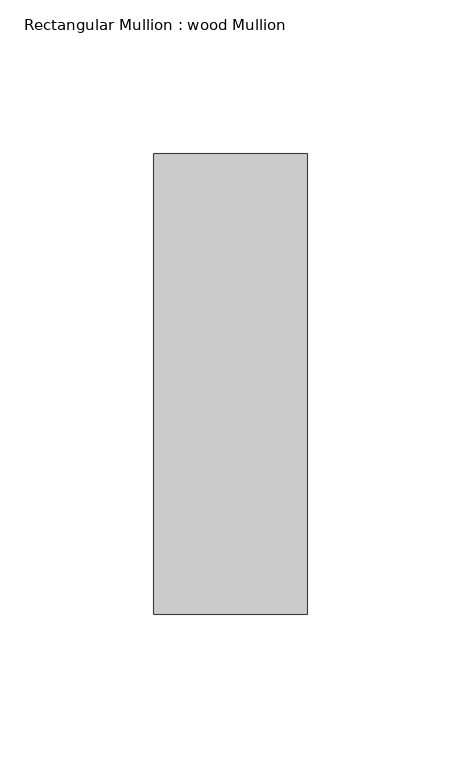
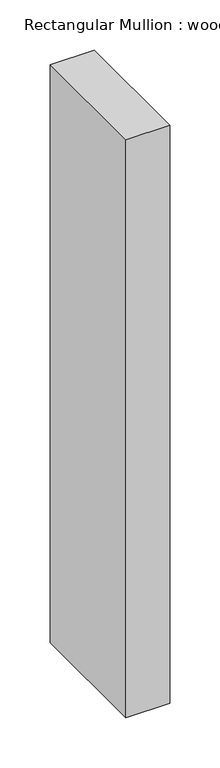
"""IFC4 building model written with IfcOpenShell, lengths in millimetres: member geometry, Rectangular Mullion : wood Mullion."""

import ifcopenshell
import ifcopenshell.guid

model = None  # the IFC model being written
_history = None  # IfcOwnerHistory: only IFC2X3 demands one
_inside = {}  # id of a spatial element -> (the spatial element, [elements in it])
_under = {}  # id of a project, library or spatial element -> (it, [spatial elements below it])
_declared = {}  # id of a project -> (the project, [libraries it declares])
_typed = {}  # id of a type object -> (the type object, [elements of that type])
_made_of = {}  # id of a material, layer set ... -> (it, [elements and type objects made of it])


def new_model(schema):
    """Start an empty IFC model of exactly this schema.

    Asked for "IFC4X3", IfcOpenShell would pick the latest addendum, in which some entities
    have other attributes; the version numbers below select the first issue.
    IFC2X3 requires an IfcOwnerHistory on every rooted entity: one is made here for all.
    """
    global model, _history
    if schema == "IFC4X3":
        model = ifcopenshell.file(schema_version=(4, 3, 0, 0))
    else:
        model = ifcopenshell.file(schema=schema)
    _inside.clear()
    _under.clear()
    _declared.clear()
    _typed.clear()
    _made_of.clear()
    _history = None
    if model.schema == "IFC2X3":
        org = make("IfcOrganization", Name="unknown")
        user = make(
            "IfcPersonAndOrganization",
            ThePerson=make("IfcPerson", FamilyName="unknown"),
            TheOrganization=org,
        )
        app = make(
            "IfcApplication",
            ApplicationDeveloper=org,
            Version="unknown",
            ApplicationFullName="unknown",
            ApplicationIdentifier="unknown",
        )
        _history = make(
            "IfcOwnerHistory",
            OwningUser=user,
            OwningApplication=app,
            ChangeAction="ADDED",
            CreationDate=0,
        )
    return model


def make(cls, **values):
    """One entity of the class cls with the attributes given. An attribute that is None is left unset."""
    return model.create_entity(
        cls, **{name: value for name, value in values.items() if value is not None}
    )


def rooted(cls, **values):
    """An entity with a GlobalId (a new one), such as an element, a storey or a relation."""
    return make(cls, GlobalId=ifcopenshell.guid.new(), OwnerHistory=_history, **values)


def si_unit(unit_type, name, prefix=None):
    """IfcSIUnit, for example si_unit("LENGTHUNIT", "METRE", prefix="MILLI")."""
    return make("IfcSIUnit", UnitType=unit_type, Prefix=prefix, Name=name)


def assignment(units):
    """IfcUnitAssignment: the units of a project."""
    return None if units is None else make("IfcUnitAssignment", Units=units)


def point(xyz):
    """IfcCartesianPoint."""
    return None if xyz is None else make("IfcCartesianPoint", Coordinates=xyz)


def direction(xyz):
    """IfcDirection."""
    return None if xyz is None else make("IfcDirection", DirectionRatios=xyz)


def frame(location, z_axis=None, x_axis=None):
    """IfcAxis2Placement3D, a coordinate frame: its origin and axes. An axis left out is left unset."""
    return make(
        "IfcAxis2Placement3D",
        Location=point(location),
        Axis=direction(z_axis),
        RefDirection=direction(x_axis),
    )


def origin():
    """The frame at (0, 0, 0) with its axes left unset."""
    return frame((0.0, 0.0, 0.0))


def place(relative_to, where):
    """IfcLocalPlacement: puts the frame where relative to a parent placement (None: the world)."""
    return make(
        "IfcLocalPlacement", PlacementRelTo=relative_to, RelativePlacement=where
    )


def context(
    kind, dimensions, precision=None, world=None, true_north=None, identifier=None
):
    """IfcGeometricRepresentationContext, for example the 3D "Model" context."""
    return make(
        "IfcGeometricRepresentationContext",
        ContextIdentifier=identifier,
        ContextType=kind,
        CoordinateSpaceDimension=dimensions,
        Precision=precision,
        WorldCoordinateSystem=world,
        TrueNorth=true_north,
    )


def project(units=None, contexts=None):
    """IfcProject with its units and contexts."""
    return rooted(
        "IfcProject",
        Name="project",
        RepresentationContexts=contexts,
        UnitsInContext=assignment(units),
    )


def spatial(cls, under=None, at=None, **own):
    """A site, building, storey or space (cls), placed at a placement, below another one or the project."""
    s = rooted(cls, ObjectPlacement=at, **own)
    if under is not None:
        _under.setdefault(under.id(), (under, []))[1].append(s)
    return s


def polyline(points):
    """IfcPolyline through the points."""
    return make("IfcPolyline", Points=[point(p) for p in points])


def outline(outer, holes=None, kind="AREA"):
    """IfcArbitraryClosedProfileDef: a profile drawn as a closed curve; with holes, ...WithVoids."""
    if holes is None:
        return make("IfcArbitraryClosedProfileDef", ProfileType=kind, OuterCurve=outer)
    return make(
        "IfcArbitraryProfileDefWithVoids",
        ProfileType=kind,
        OuterCurve=outer,
        InnerCurves=holes,
    )


def extrude(swept, where, along, depth):
    """IfcExtrudedAreaSolid: the profile swept, set in the frame where, extruded along a direction by depth."""
    return make(
        "IfcExtrudedAreaSolid",
        SweptArea=swept,
        Position=where,
        ExtrudedDirection=direction(along),
        Depth=depth,
    )


def shape(context_of_items, identifier, shape_type, items):
    """IfcShapeRepresentation: the items that make up one representation, for example the "Body"."""
    return make(
        "IfcShapeRepresentation",
        ContextOfItems=context_of_items,
        RepresentationIdentifier=identifier,
        RepresentationType=shape_type,
        Items=items,
    )


def source(mapping_origin, context_of_items, identifier, shape_type, items):
    """IfcRepresentationMap: a shape defined once, which mapped items show again and again."""
    return make(
        "IfcRepresentationMap",
        MappingOrigin=mapping_origin,
        MappedRepresentation=shape(context_of_items, identifier, shape_type, items),
    )


def transform(
    local_origin,
    x_axis=None,
    y_axis=None,
    z_axis=None,
    scale=None,
    scale2=None,
    scale3=None,
    uniform=True,
):
    """IfcCartesianTransformationOperator3D, or its non-uniform kind. x_axis, y_axis, z_axis: its Axis1, 2, 3."""
    if uniform:
        return make(
            "IfcCartesianTransformationOperator3D",
            Axis1=direction(x_axis),
            Axis2=direction(y_axis),
            LocalOrigin=point(local_origin),
            Scale=scale,
            Axis3=direction(z_axis),
        )
    return make(
        "IfcCartesianTransformationOperator3DnonUniform",
        Axis1=direction(x_axis),
        Axis2=direction(y_axis),
        LocalOrigin=point(local_origin),
        Scale=scale,
        Axis3=direction(z_axis),
        Scale2=scale2,
        Scale3=scale3,
    )


def mapped(mapping_source, mapping_target):
    """IfcMappedItem: shows the shape of a source again, moved by a transform."""
    return make(
        "IfcMappedItem", MappingSource=mapping_source, MappingTarget=mapping_target
    )


def made_of(thing, what):
    """Note that an element or type object is made of a material, layer set ...; save() writes the relation."""
    if what is not None:
        _made_of.setdefault(what.id(), (what, []))[1].append(thing)
    return thing


def element(
    cls,
    number,
    at=None,
    inside=None,
    cuts=None,
    type_object=None,
    material=None,
    context=None,
    identifier="Body",
    shape_type=None,
    held_by="IfcProductDefinitionShape",
    body=None,
    shapes=None,
    **own,
):
    """One element of the class cls, such as IfcWall. Its Tag is "e" and its number.

    at: its placement. inside: the storey or other place that contains it. cuts: it is an
    opening in that element (IfcRelVoidsElement). A single representation is given by context,
    identifier, shape_type and body (its items); several are given by shapes. held_by: the class
    of the entity that holds the representations. save() writes the other relations.
    """
    e = rooted(cls, Tag="e%d" % number, ObjectPlacement=at, **own)
    if body is not None:
        shapes = [shape(context, identifier, shape_type, body)]
    if shapes is not None:
        e.Representation = make(held_by, Representations=shapes)
    if inside is not None:
        _inside.setdefault(inside.id(), (inside, []))[1].append(e)
    if cuts is not None:
        rooted(
            "IfcRelVoidsElement", RelatingBuildingElement=cuts, RelatedOpeningElement=e
        )
    if type_object is not None:
        _typed.setdefault(type_object.id(), (type_object, []))[1].append(e)
    return made_of(e, material)


def aggregate(whole, parts):
    """IfcRelAggregates: a whole, such as a stair, and the parts it consists of."""
    return rooted("IfcRelAggregates", RelatingObject=whole, RelatedObjects=parts)


def save(model, path):
    """Write the relations noted so far, then the file.

    IfcRelAggregates (storeys below a building ...), IfcRelContainedInSpatialStructure (elements
    in a storey), IfcRelDefinesByType, IfcRelAssociatesMaterial and IfcRelDeclares: one each for
    every whole, place, type object, material and project.
    """
    for whole, parts in _under.values():
        aggregate(whole, parts)
    for where, things in _inside.values():
        rooted(
            "IfcRelContainedInSpatialStructure",
            RelatedElements=things,
            RelatingStructure=where,
        )
    for kind, things in _typed.values():
        rooted("IfcRelDefinesByType", RelatedObjects=things, RelatingType=kind)
    for what, things in _made_of.values():
        rooted("IfcRelAssociatesMaterial", RelatedObjects=things, RelatingMaterial=what)
    for by, libraries in _declared.values():
        rooted("IfcRelDeclares", RelatingContext=by, RelatedDefinitions=libraries)
    model.write(path)


def rectangular_mullion_wood_mullion_205d2b36(model_context):
    return source(origin(), model_context, "Body", "SweptSolid", [
        extrude(outline(polyline([(0.0, 75.0), (0.0, -75.0), (-50.0, -75.0), (-50.0, 75.0), (0.0, 75.0)])), frame((0.0, 0.0, -700.0), z_axis=(0.0, 0.0, 1.0), x_axis=(1.0, 0.0, 0.0)), (0.0, 0.0, 1.0), 700.0),
    ])


if __name__ == "__main__":
    model = new_model("IFC4")
    model_context = context("Model", 3, world=origin())
    ifc_project = project(units=[si_unit("LENGTHUNIT", "METRE", prefix="MILLI")], contexts=[model_context])
    site = spatial("IfcSite", under=ifc_project)
    building = spatial("IfcBuilding", under=site)
    placement = place(None, origin())
    rectangular_mullion_wood_mullion_shape = rectangular_mullion_wood_mullion_205d2b36(model_context)
    element("IfcMember", 1, ObjectType="Rectangular Mullion : wood Mullion", at=placement, inside=building, context=model_context, shape_type="MappedRepresentation", body=[
        mapped(rectangular_mullion_wood_mullion_shape, transform((0.0, 0.0, 0.0), x_axis=(1.0, 0.0, 0.0), y_axis=(0.0, 1.0, 0.0), z_axis=(0.0, 0.0, 1.0))),
    ])
    save(model, "model.ifc")
